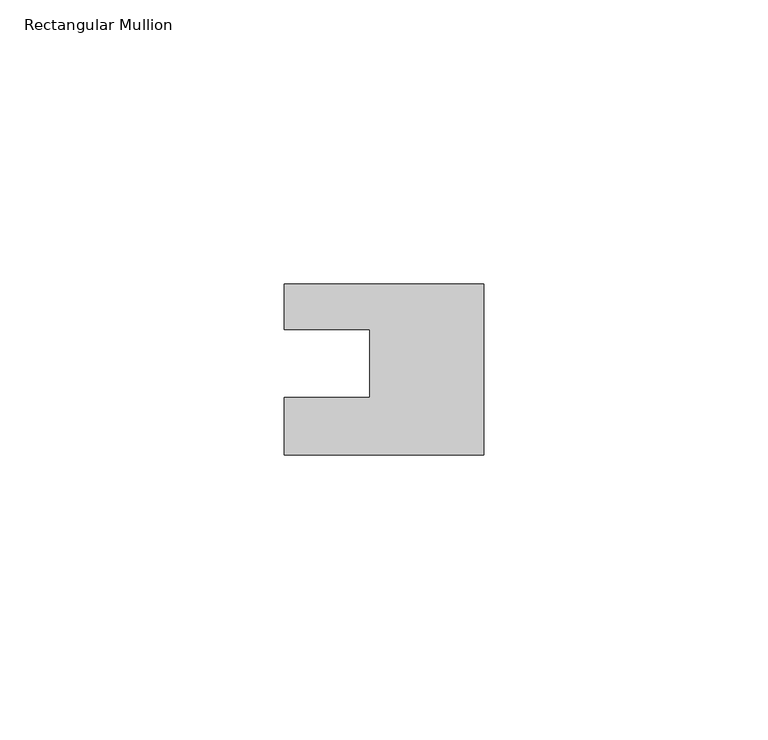
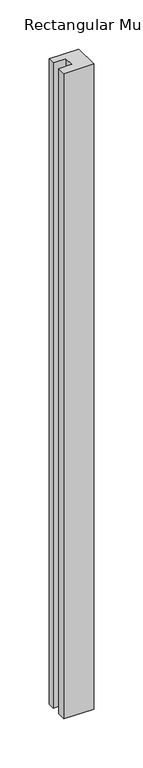
"""IFC4 building model written with IfcOpenShell, lengths in millimetres: member geometry, Rectangular Mullion."""

from ifc_helpers import new_model, si_unit, frame, origin, place, context, project, spatial, polyline, outline, extrude, source, transform, mapped, element, save


def rectangular_mullion_7ee2fdf2(model_context):
    return source(origin(), model_context, "Body", "SweptSolid", [
        extrude(outline(polyline([(0.0, 7.94), (0.0, -22.06), (-35.0, -22.06), (-35.0, -12.0), (-20.0, -12.0), (-20.0, 0.001), (-35.0, 0.001), (-35.0, 7.94), (0.0, 7.94)])), frame((0.0, 0.0, -802.0), z_axis=(0.0, 0.0, 1.0), x_axis=(1.0, 0.0, 0.0)), (0.0, 0.0, 1.0), 802.0),
    ])


if __name__ == "__main__":
    model = new_model("IFC4")
    model_context = context("Model", 3, world=origin())
    ifc_project = project(units=[si_unit("LENGTHUNIT", "METRE", prefix="MILLI")], contexts=[model_context])
    site = spatial("IfcSite", under=ifc_project)
    building = spatial("IfcBuilding", under=site)
    placement = place(None, origin())
    rectangular_mullion_shape = rectangular_mullion_7ee2fdf2(model_context)
    element("IfcMember", 1, ObjectType="Rectangular Mullion", at=placement, inside=building, context=model_context, shape_type="MappedRepresentation", body=[
        mapped(rectangular_mullion_shape, transform((0.0, 0.0, 0.0), x_axis=(1.0, 0.0, 0.0), y_axis=(0.0, 1.0, 0.0), z_axis=(0.0, 0.0, 1.0))),
    ])
    save(model, "model.ifc")
